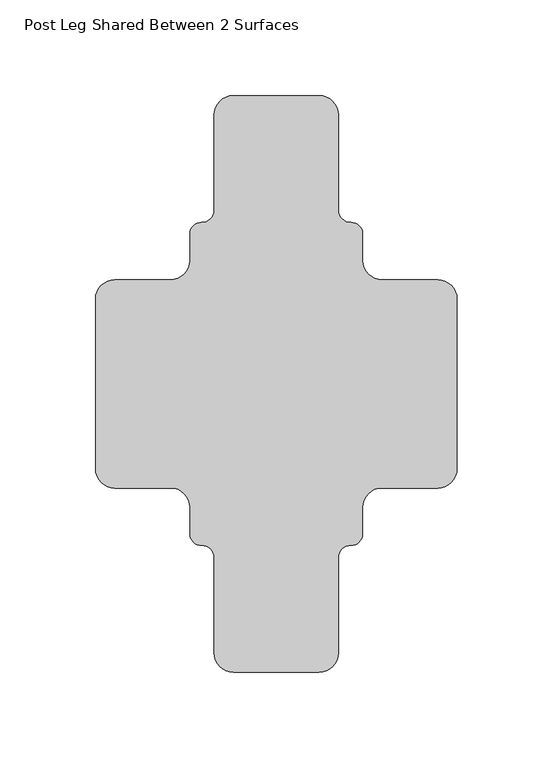
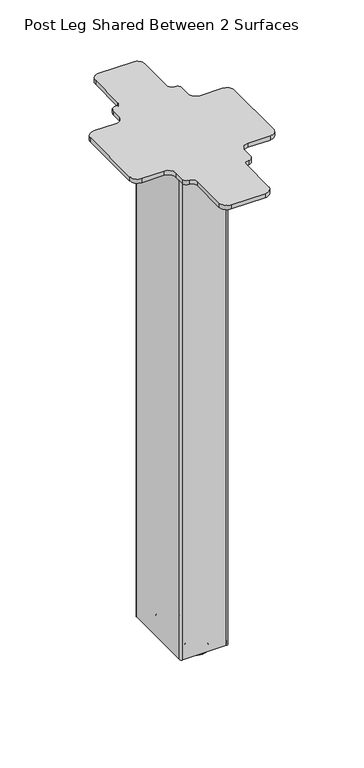
"""IFC4 building model written with IfcOpenShell, lengths in millimetres: furniture geometry, Post Leg Shared Between 2 Surfaces."""

from ifc_helpers import new_model, si_unit, point, frame, frame_2d, origin, place, context, project, spatial, polyline, circle_curve, ellipse_curve, trimmed, segment, composite_curve, outline, extrude, source, transform, mapped, element, save
from ifc_brep_helpers import plane_surface, cylinder_surface, revolved_surface, advanced_brep


def post_leg_shared_between_2_surfaces_a91f8a6a(model_context):
    return source(origin(), model_context, "Body", "SolidModel", [
        extrude(outline(composite_curve([segment(trimmed(circle_curve(frame_2d((-84.4875023, 44.3130013)), 10.16), [point((-94.6475023, 44.3130013))], [point((-84.4875023, 54.4730013))], False, "CARTESIAN"), True, "CONTINUOUS"), segment(polyline([(-84.4875023, 54.4730013), (-55.3905014, 54.4730013)]), True, "CONTINUOUS"), segment(trimmed(circle_curve(frame_2d((-55.3905014, 64.6330013)), 10.16), [point((-55.3905014, 54.4730013))], [point((-45.2305014, 64.6330013))], True, "CARTESIAN"), True, "CONTINUOUS"), segment(polyline([(-45.2305014, 64.6330013), (-45.2305014, 78.472999)]), True, "CONTINUOUS"), segment(trimmed(circle_curve(frame_2d((-39.2305042, 78.472999)), 5.9999971), [point((-45.2305014, 78.472999))], [point((-39.0604616, 84.4705861))], False, "CARTESIAN"), True, "CONTINUOUS"), segment(trimmed(circle_curve(frame_2d((-38.8804998, 90.8180355)), 6.35), [point((-39.0604616, 84.4705861))], [point((-32.5304998, 90.8180355))], True, "CARTESIAN"), True, "CONTINUOUS"), segment(polyline([(-32.5304998, 90.8180355), (-32.5304998, 140.6629978)]), True, "CONTINUOUS"), segment(trimmed(circle_curve(frame_2d((-22.3704998, 140.6629978)), 10.16), [point((-32.5304998, 140.6629978))], [point((-22.3704998, 150.8229978))], False, "CARTESIAN"), True, "CONTINUOUS"), segment(polyline([(-22.3704998, 150.8229978), (22.3704998, 150.8229978)]), True, "CONTINUOUS"), segment(trimmed(circle_curve(frame_2d((22.3704998, 140.6629978)), 10.16), [point((22.3704998, 150.8229978))], [point((32.5304998, 140.6629978))], False, "CARTESIAN"), True, "CONTINUOUS"), segment(polyline([(32.5304998, 140.6629978), (32.5304998, 90.8180355)]), True, "CONTINUOUS"), segment(trimmed(circle_curve(frame_2d((38.8804998, 90.8180355)), 6.35), [point((32.5304998, 90.8180355))], [point((39.0604616, 84.4705861))], True, "CARTESIAN"), True, "CONTINUOUS"), segment(trimmed(circle_curve(frame_2d((39.2305042, 78.472999)), 5.9999971), [point((39.0604616, 84.4705861))], [point((45.2305014, 78.472999))], False, "CARTESIAN"), True, "CONTINUOUS"), segment(polyline([(45.2305014, 78.472999), (45.2305014, 64.6330013)]), True, "CONTINUOUS"), segment(trimmed(circle_curve(frame_2d((55.3905014, 64.6330013)), 10.16), [point((45.2305014, 64.6330013))], [point((55.3905014, 54.4730013))], True, "CARTESIAN"), True, "CONTINUOUS"), segment(polyline([(55.3905014, 54.4730013), (84.4875023, 54.4730013)]), True, "CONTINUOUS"), segment(trimmed(circle_curve(frame_2d((84.4875023, 44.3130013)), 10.16), [point((84.4875023, 54.4730013))], [point((94.6475023, 44.3130013))], False, "CARTESIAN"), True, "CONTINUOUS"), segment(polyline([(94.6475023, 44.3130013), (94.6475023, -44.3130013)]), True, "CONTINUOUS"), segment(trimmed(circle_curve(frame_2d((84.4875023, -44.3130013)), 10.16), [point((94.6475023, -44.3130013))], [point((84.4875023, -54.4730013))], False, "CARTESIAN"), True, "CONTINUOUS"), segment(polyline([(84.4875023, -54.4730013), (55.3905014, -54.4730013)]), True, "CONTINUOUS"), segment(trimmed(circle_curve(frame_2d((55.3905014, -64.6330013)), 10.16), [point((55.3905014, -54.4730013))], [point((45.2305014, -64.6330013))], True, "CARTESIAN"), True, "CONTINUOUS"), segment(polyline([(45.2305014, -64.6330013), (45.2305014, -78.472999)]), True, "CONTINUOUS"), segment(trimmed(circle_curve(frame_2d((39.2305042, -78.472999)), 5.9999971), [point((45.2305014, -78.472999))], [point((39.0604616, -84.4705861))], False, "CARTESIAN"), True, "CONTINUOUS"), segment(trimmed(circle_curve(frame_2d((38.8804998, -90.8180355)), 6.35), [point((39.0604616, -84.4705861))], [point((32.5304998, -90.8180355))], True, "CARTESIAN"), True, "CONTINUOUS"), segment(polyline([(32.5304998, -90.8180355), (32.5304998, -140.6629978)]), True, "CONTINUOUS"), segment(trimmed(circle_curve(frame_2d((22.3704998, -140.6629978)), 10.16), [point((32.5304998, -140.6629978))], [point((22.3704998, -150.8229978))], False, "CARTESIAN"), True, "CONTINUOUS"), segment(polyline([(22.3704998, -150.8229978), (-22.3704998, -150.8229978)]), True, "CONTINUOUS"), segment(trimmed(circle_curve(frame_2d((-22.3704998, -140.6629978)), 10.16), [point((-22.3704998, -150.8229978))], [point((-32.5304998, -140.6629978))], False, "CARTESIAN"), True, "CONTINUOUS"), segment(polyline([(-32.5304998, -140.6629978), (-32.5304998, -90.8180355)]), True, "CONTINUOUS"), segment(trimmed(circle_curve(frame_2d((-38.8804998, -90.8180355)), 6.35), [point((-32.5304998, -90.8180355))], [point((-39.0604616, -84.4705861))], True, "CARTESIAN"), True, "CONTINUOUS"), segment(trimmed(circle_curve(frame_2d((-39.2305042, -78.472999)), 5.9999971), [point((-39.0604616, -84.4705861))], [point((-45.2305014, -78.472999))], False, "CARTESIAN"), True, "CONTINUOUS"), segment(polyline([(-45.2305014, -78.472999), (-45.2305014, -64.6330013)]), True, "CONTINUOUS"), segment(trimmed(circle_curve(frame_2d((-55.3905014, -64.6330013)), 10.16), [point((-45.2305014, -64.6330013))], [point((-55.3905014, -54.4730013))], True, "CARTESIAN"), True, "CONTINUOUS"), segment(polyline([(-55.3905014, -54.4730013), (-84.4875023, -54.4730013)]), True, "CONTINUOUS"), segment(trimmed(circle_curve(frame_2d((-84.4875023, -44.3130013)), 10.16), [point((-84.4875023, -54.4730013))], [point((-94.6475023, -44.3130013))], False, "CARTESIAN"), True, "CONTINUOUS"), segment(polyline([(-94.6475023, -44.3130013), (-94.6475023, 44.3130013)]), True, "CONTINUOUS")], self_intersect=False)), frame((0.0, 0.0, 691.533807), z_axis=(0.0, 0.0, 1.0), x_axis=(1.0, 0.0, 0.0)), (0.0, 0.0, 1.0), 5.6950012),
        advanced_brep(
        [(28.652, 51.7000011, 6.152), (31.7, 48.6520011, 6.152), (31.7, -48.6520011, 6.152), (28.652, -51.7000011, 6.152), (-28.652, -51.7000011, 6.152), (-31.7, -48.6520011, 6.152), (-31.7, 48.6520011, 6.152), (-28.652, 51.7000011, 6.152), (-28.5300002, 49.799999, 6.152), (-29.8000002, 48.529999, 6.152), (-29.8000002, -48.529999, 6.152), (-28.5300002, -49.799999, 6.152), (28.5300002, -49.799999, 6.152), (29.8000002, -48.529999, 6.152), (29.8000002, 48.529999, 6.152), (28.5300002, 49.799999, 6.152), (28.652, 51.7000011, 691.533807), (-28.652, 51.7000011, 691.533807), (-31.7, 48.6520011, 691.533807), (-31.7, -48.6520011, 691.533807), (-28.652, -51.7000011, 691.533807), (28.652, -51.7000011, 691.533807), (31.7, -48.6520011, 691.533807), (31.7, 48.6520011, 691.533807), (-28.5300002, 49.799999, 11.3499999), (28.5300002, 49.799999, 11.3499999), (29.8000002, 48.529999, 11.3499999), (29.8000002, -48.529999, 11.3499999), (28.5300002, -49.799999, 11.3499999), (-28.5300002, -49.799999, 11.3499999), (-29.8000002, -48.529999, 11.3499999), (-29.8000002, 48.529999, 11.3499999), (0.0, 22.9306261, 11.3499999), (0.0, 43.0693742, 11.3499999), (0.0, -43.0693742, 11.3499999), (0.0, -22.9306261, 11.3499999), (0.0, 33.0000002, 0.0), (0.0, 44.1125009, 0.0), (0.0, 21.8874994, 0.0), (0.0, 22.9306261, 6.3500002), (0.0, 43.0693742, 6.3500002), (0.0, 44.1125009, 6.3500002), (0.0, 21.8874994, 6.3500002), (0.0, -21.8874994, 0.0), (0.0, -44.1125009, 0.0), (0.0, -33.0000002, 0.0), (0.0, -43.0693742, 6.3500002), (0.0, -22.9306261, 6.3500002), (0.0, -21.8874994, 6.3500002), (0.0, -44.1125009, 6.3500002)],
        [
            (0, 1, circle_curve(frame((28.652, 48.6520011, 6.152), z_axis=(0.0, 0.0, -1.0), x_axis=(0.0, -1.0, 0.0)), 3.048)),
            (1, 2),
            (2, 3, circle_curve(frame((28.652, -48.6520011, 6.152), z_axis=(0.0, 0.0, -1.0), x_axis=(0.0, -1.0, 0.0)), 3.048)),
            (3, 4),
            (4, 5, circle_curve(frame((-28.652, -48.6520011, 6.152), z_axis=(0.0, 0.0, -1.0), x_axis=(0.0, -1.0, 0.0)), 3.048)),
            (5, 6),
            (6, 7, circle_curve(frame((-28.652, 48.6520011, 6.152), z_axis=(0.0, 0.0, -1.0), x_axis=(0.0, -1.0, 0.0)), 3.048)),
            (7, 0),
            (8, 9, circle_curve(frame((-28.5300002, 48.529999, 6.152), z_axis=(0.0, 0.0, 1.0), x_axis=(1.0, 0.0, 0.0)), 1.27)),
            (9, 10),
            (10, 11, circle_curve(frame((-28.5300002, -48.529999, 6.152), z_axis=(0.0, 0.0, 1.0), x_axis=(1.0, 0.0, 0.0)), 1.27)),
            (11, 12),
            (12, 13, circle_curve(frame((28.5300002, -48.529999, 6.152), z_axis=(0.0, 0.0, 1.0), x_axis=(1.0, 0.0, 0.0)), 1.27)),
            (13, 14),
            (14, 15, circle_curve(frame((28.5300002, 48.529999, 6.152), z_axis=(0.0, 0.0, 1.0), x_axis=(1.0, 0.0, 0.0)), 1.27)),
            (15, 8),
            (16, 17),
            (17, 18, circle_curve(frame((-28.652, 48.6520011, 691.533807), z_axis=(0.0, 0.0, 1.0), x_axis=(0.0, -1.0, 0.0)), 3.048)),
            (18, 19),
            (19, 20, circle_curve(frame((-28.652, -48.6520011, 691.533807), z_axis=(0.0, 0.0, 1.0), x_axis=(0.0, -1.0, 0.0)), 3.048)),
            (20, 21),
            (21, 22, circle_curve(frame((28.652, -48.6520011, 691.533807), z_axis=(0.0, 0.0, 1.0), x_axis=(0.0, -1.0, 0.0)), 3.048)),
            (22, 23),
            (23, 16, circle_curve(frame((28.652, 48.6520011, 691.533807), z_axis=(0.0, 0.0, 1.0), x_axis=(0.0, -1.0, 0.0)), 3.048)),
            (0, 16),
            (23, 1),
            (22, 2),
            (21, 3),
            (20, 4),
            (19, 5),
            (18, 6),
            (17, 7),
            (24, 25),
            (25, 26, circle_curve(frame((28.5300002, 48.529999, 11.3499999), z_axis=(0.0, 0.0, -1.0), x_axis=(1.0, 0.0, 0.0)), 1.27)),
            (26, 27),
            (27, 28, circle_curve(frame((28.5300002, -48.529999, 11.3499999), z_axis=(0.0, 0.0, -1.0), x_axis=(1.0, 0.0, 0.0)), 1.27)),
            (28, 29),
            (29, 30, circle_curve(frame((-28.5300002, -48.529999, 11.3499999), z_axis=(0.0, 0.0, -1.0), x_axis=(1.0, 0.0, 0.0)), 1.27)),
            (30, 31),
            (31, 24, circle_curve(frame((-28.5300002, 48.529999, 11.3499999), z_axis=(0.0, 0.0, -1.0), x_axis=(1.0, 0.0, 0.0)), 1.27)),
            (32, 33, circle_curve(frame((0.0, 33.0000002, 11.3499999), z_axis=(0.0, 0.0, 1.0), x_axis=(0.0, 1.0, 0.0)), 10.069374)),
            (33, 32, circle_curve(frame((0.0, 33.0000002, 11.3499999), z_axis=(0.0, 0.0, 1.0), x_axis=(0.0, 1.0, 0.0)), 10.069374)),
            (34, 35, circle_curve(frame((0.0, -33.0000002, 11.3499999), z_axis=(0.0, 0.0, 1.0), x_axis=(0.0, -1.0, 0.0)), 10.069374)),
            (35, 34, circle_curve(frame((0.0, -33.0000002, 11.3499999), z_axis=(0.0, 0.0, 1.0), x_axis=(0.0, -1.0, 0.0)), 10.069374)),
            (31, 9),
            (8, 24),
            (30, 10),
            (29, 11),
            (28, 12),
            (27, 13),
            (26, 14),
            (25, 15),
            (36, 37),
            (37, 38, circle_curve(frame((0.0, 33.0000002, 0.0), z_axis=(0.0, 0.0, -1.0), x_axis=(0.0, 1.0, 0.0)), 11.1125008)),
            (38, 36),
            (38, 37, circle_curve(frame((0.0, 33.0000002, 0.0), z_axis=(0.0, 0.0, -1.0), x_axis=(0.0, 1.0, 0.0)), 11.1125008)),
            (39, 40, circle_curve(frame((0.0, 33.0000002, 6.3500002), z_axis=(0.0, 0.0, 1.0), x_axis=(0.0, 1.0, 0.0)), 10.069374)),
            (40, 33),
            (32, 39),
            (40, 39, circle_curve(frame((0.0, 33.0000002, 6.3500002), z_axis=(0.0, 0.0, 1.0), x_axis=(0.0, 1.0, 0.0)), 10.069374)),
            (37, 41, circle_curve(frame((0.0, 44.1125009, 3.1750001), z_axis=(1.0, 0.0, 0.0), x_axis=(0.0, 1.0, 0.0)), 3.1750001)),
            (41, 42, circle_curve(frame((0.0, 33.0000002, 6.3500002), z_axis=(0.0, 0.0, -1.0), x_axis=(0.0, 1.0, 0.0)), 11.1125008)),
            (42, 38, circle_curve(frame((0.0, 21.8874994, 3.1750001), z_axis=(1.0, 0.0, 0.0), x_axis=(0.0, -1.0, 0.0)), 3.1750001)),
            (42, 41, circle_curve(frame((0.0, 33.0000002, 6.3500002), z_axis=(0.0, 0.0, -1.0), x_axis=(0.0, 1.0, 0.0)), 11.1125008)),
            (39, 42),
            (41, 40),
            (43, 44, circle_curve(frame((0.0, -33.0000002, 0.0), z_axis=(0.0, 0.0, -1.0), x_axis=(0.0, -1.0, 0.0)), 11.1125008)),
            (44, 45),
            (45, 43),
            (44, 43, circle_curve(frame((0.0, -33.0000002, 0.0), z_axis=(0.0, 0.0, -1.0), x_axis=(0.0, -1.0, 0.0)), 11.1125008)),
            (34, 46),
            (46, 47, circle_curve(frame((0.0, -33.0000002, 6.3500002), z_axis=(0.0, 0.0, 1.0), x_axis=(0.0, -1.0, 0.0)), 10.069374)),
            (47, 35),
            (47, 46, circle_curve(frame((0.0, -33.0000002, 6.3500002), z_axis=(0.0, 0.0, 1.0), x_axis=(0.0, -1.0, 0.0)), 10.069374)),
            (43, 48, circle_curve(frame((0.0, -21.8874994, 3.1750001), z_axis=(1.0, 0.0, 0.0), x_axis=(0.0, 1.0, 0.0)), 3.1750001)),
            (48, 49, circle_curve(frame((0.0, -33.0000002, 6.3500002), z_axis=(0.0, 0.0, -1.0), x_axis=(0.0, -1.0, 0.0)), 11.1125008)),
            (49, 44, circle_curve(frame((0.0, -44.1125009, 3.1750001), z_axis=(1.0, 0.0, 0.0), x_axis=(0.0, -1.0, 0.0)), 3.1750001)),
            (49, 48, circle_curve(frame((0.0, -33.0000002, 6.3500002), z_axis=(0.0, 0.0, -1.0), x_axis=(0.0, -1.0, 0.0)), 11.1125008)),
            (46, 49),
            (48, 47),
        ],
        [
            plane_surface(frame((28.652, 45.6040011, 6.152), z_axis=(0.0, 0.0, -1.0), x_axis=(-1.0, 0.0, 0.0))),
            plane_surface(frame((28.652, 45.6040011, 691.533807), z_axis=(0.0, 0.0, 1.0), x_axis=(1.0, 0.0, 0.0))),
            cylinder_surface(frame((28.652, 48.6520011, 691.533807), z_axis=(0.0, 0.0, -1.0), x_axis=(0.0, -1.0, 0.0)), 3.048),
            plane_surface(frame((31.7, 48.6520011, 6.152), z_axis=(1.0, 0.0, 0.0), x_axis=(0.0, 0.0, 1.0))),
            cylinder_surface(frame((28.652, -48.6520011, 691.533807), z_axis=(0.0, 0.0, -1.0), x_axis=(0.0, -1.0, 0.0)), 3.048),
            plane_surface(frame((28.652, -51.7000011, 6.152), z_axis=(0.0, -1.0, 0.0), x_axis=(0.0, 0.0, 1.0))),
            cylinder_surface(frame((-28.652, -48.6520011, 691.533807), z_axis=(0.0, 0.0, -1.0), x_axis=(0.0, -1.0, 0.0)), 3.048),
            plane_surface(frame((-31.7, -48.6520011, 6.152), z_axis=(-1.0, 0.0, 0.0), x_axis=(0.0, 0.0, 1.0))),
            cylinder_surface(frame((-28.652, 48.6520011, 691.533807), z_axis=(0.0, 0.0, -1.0), x_axis=(0.0, -1.0, 0.0)), 3.048),
            plane_surface(frame((-28.652, 51.7000011, 6.152), z_axis=(0.0, 1.0, 0.0), x_axis=(0.0, 0.0, 1.0))),
            plane_surface(frame((-27.2600002, 48.529999, 11.3499999), z_axis=(0.0, 0.0, -1.0), x_axis=(0.0, 1.0, 0.0))),
            revolved_surface(polyline([(-27.2600002, 48.529999, 11.3499999), (-27.2600002, 48.529999, 6.152)]), (-28.5300002, 48.529999, 0.0), (0.0, 0.0, 1.0)),
            plane_surface(frame((-29.8000002, 48.529999, 11.3499999), z_axis=(1.0, 0.0, 0.0), x_axis=(0.0, 0.0, -1.0))),
            revolved_surface(polyline([(-27.2600002, -48.529999, 11.3499999), (-27.2600002, -48.529999, 6.152)]), (-28.5300002, -48.529999, 0.0), (0.0, 0.0, 1.0)),
            plane_surface(frame((-28.5300002, -49.799999, 11.3499999), z_axis=(0.0, 1.0, 0.0), x_axis=(0.0, 0.0, -1.0))),
            revolved_surface(polyline([(29.8000002, -48.529999, 11.3499999), (29.8000002, -48.529999, 6.152)]), (28.5300002, -48.529999, 0.0), (0.0, 0.0, 1.0)),
            plane_surface(frame((29.8000002, -48.529999, 11.3499999), z_axis=(-1.0, 0.0, 0.0), x_axis=(0.0, 0.0, -1.0))),
            revolved_surface(polyline([(29.8000002, 48.529999, 11.3499999), (29.8000002, 48.529999, 6.152)]), (28.5300002, 48.529999, 0.0), (0.0, 0.0, 1.0)),
            plane_surface(frame((28.5300002, 49.799999, 11.3499999), z_axis=(0.0, -1.0, 0.0), x_axis=(0.0, 0.0, -1.0))),
            plane_surface(frame((0.0, 33.0000002, 0.0), z_axis=(0.0, 0.0, -1.0), x_axis=(0.0, 1.0, 0.0))),
            cylinder_surface(frame((0.0, 33.0000002, 0.0), z_axis=(0.0, 0.0, -1.0), x_axis=(0.0, 1.0, 0.0)), 10.069374),
            revolved_surface(trimmed(ellipse_curve(frame((0.0, 44.1125009, 3.1750001), z_axis=(-1.0, 0.0, 0.0), x_axis=(0.0, 1.0, 0.0)), 3.1750001, 3.1750001), [point((0.0, 44.1125009, 6.3500002))], [point((0.0, 44.1125009, 0.0))], True, "CARTESIAN"), (0.0, 33.0000002, 0.0), (0.0, 0.0, -1.0)),
            plane_surface(frame((0.0, 33.0000002, 6.3500002), z_axis=(0.0, 0.0, 1.0), x_axis=(0.0, 1.0, 0.0))),
            plane_surface(frame((0.0, -33.0000002, 0.0), z_axis=(0.0, 0.0, -1.0), x_axis=(0.0, -1.0, 0.0))),
            cylinder_surface(frame((0.0, -33.0000002, 0.0), z_axis=(0.0, 0.0, 1.0), x_axis=(0.0, -1.0, 0.0)), 10.069374),
            revolved_surface(trimmed(ellipse_curve(frame((0.0, -44.1125009, 3.1750001), z_axis=(-1.0, 0.0, 0.0), x_axis=(0.0, -1.0, 0.0)), 3.1750001, 3.1750001), [point((0.0, -44.1125009, 0.0))], [point((0.0, -44.1125009, 6.3500002))], True, "CARTESIAN"), (0.0, -33.0000002, 0.0), (0.0, 0.0, 1.0)),
            plane_surface(frame((0.0, -33.0000002, 6.3500002), z_axis=(0.0, 0.0, 1.0), x_axis=(0.0, -1.0, 0.0))),
        ],
        [
            (0, [[1, 2, 3, 4, 5, 6, 7, 8], [9, 10, 11, 12, 13, 14, 15, 16]]),
            (1, [[17, 18, 19, 20, 21, 22, 23, 24]]),
            (2, [[-1, 25, -24, 26]]),
            (3, [[-2, -26, -23, 27]]),
            (4, [[-3, -27, -22, 28]]),
            (5, [[-4, -28, -21, 29]]),
            (6, [[-5, -29, -20, 30]]),
            (7, [[-6, -30, -19, 31]]),
            (8, [[-7, -31, -18, 32]]),
            (9, [[-8, -32, -17, -25]]),
            (10, [[33, 34, 35, 36, 37, 38, 39, 40], [41, 42], [43, 44]]),
            (11, [[-40, 45, -9, 46]]),
            (12, [[-39, 47, -10, -45]]),
            (13, [[-38, 48, -11, -47]]),
            (14, [[-37, 49, -12, -48]]),
            (15, [[-36, 50, -13, -49]]),
            (16, [[-35, 51, -14, -50]]),
            (17, [[-34, 52, -15, -51]]),
            (18, [[-33, -46, -16, -52]]),
            (19, [[53, 54, 55]]),
            (19, [[-53, -55, 56]]),
            (20, [[57, 58, -41, 59]]),
            (20, [[-58, 60, -59, -42]]),
            (21, [[-54, 61, 62, 63]]),
            (21, [[-56, -63, 64, -61]]),
            (22, [[-57, 65, -62, 66]]),
            (22, [[-60, -66, -64, -65]]),
            (23, [[67, 68, 69]]),
            (23, [[-68, 70, -69]]),
            (24, [[71, 72, 73, -43]]),
            (24, [[-71, -44, -73, 74]]),
            (25, [[-67, 75, 76, 77]]),
            (25, [[-70, -77, 78, -75]]),
            (26, [[-72, 79, -76, 80]]),
            (26, [[-74, -80, -78, -79]]),
        ],
    ),
    ])


if __name__ == "__main__":
    model = new_model("IFC4")
    model_context = context("Model", 3, world=origin())
    ifc_project = project(units=[si_unit("LENGTHUNIT", "METRE", prefix="MILLI")], contexts=[model_context])
    site = spatial("IfcSite", under=ifc_project)
    building = spatial("IfcBuilding", under=site)
    placement = place(None, origin())
    post_leg_shared_between_2_surfaces_shape = post_leg_shared_between_2_surfaces_a91f8a6a(model_context)
    element("IfcFurniture", 1, ObjectType="Post Leg Shared Between 2 Surfaces", at=placement, inside=building, context=model_context, shape_type="MappedRepresentation", body=[
        mapped(post_leg_shared_between_2_surfaces_shape, transform((0.0, 0.0, 0.0), x_axis=(1.0, 0.0, 0.0), y_axis=(0.0, 1.0, 0.0), z_axis=(0.0, 0.0, 1.0))),
    ])
    save(model, "model.ifc")
